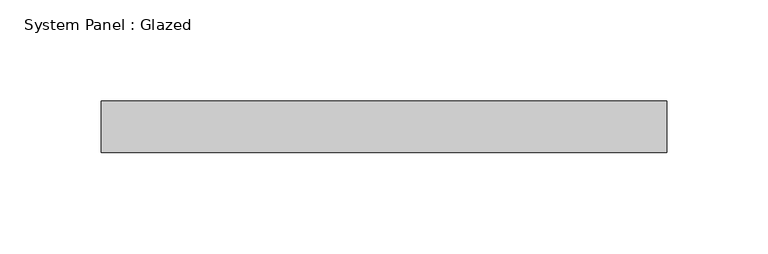
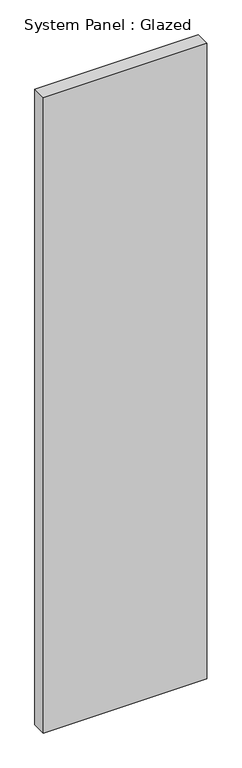
"""IFC4 building model written with IfcOpenShell, lengths in millimetres: plate geometry, System Panel : Glazed."""

from ifc_helpers import new_model, si_unit, origin, origin_with_axes, place, context, project, spatial, polyline, outline, extrude, source, transform, mapped, element, save


def system_panel_glazed_626fef22(model_context):
    return source(origin(), model_context, "Body", "SweptSolid", [
        extrude(outline(polyline([(139.7, -12.7), (-139.7, -12.7), (-139.7, 12.7), (139.7, 12.7), (139.7, -12.7)])), origin_with_axes(), (0.0, 0.0, 1.0), 1149.35),
    ])


if __name__ == "__main__":
    model = new_model("IFC4")
    model_context = context("Model", 3, world=origin())
    ifc_project = project(units=[si_unit("LENGTHUNIT", "METRE", prefix="MILLI")], contexts=[model_context])
    site = spatial("IfcSite", under=ifc_project)
    building = spatial("IfcBuilding", under=site)
    placement = place(None, origin())
    system_panel_glazed_shape = system_panel_glazed_626fef22(model_context)
    element("IfcPlate", 1, ObjectType="System Panel : Glazed", at=placement, inside=building, context=model_context, shape_type="MappedRepresentation", body=[
        mapped(system_panel_glazed_shape, transform((0.0, 0.0, 0.0), x_axis=(1.0, 0.0, 0.0), y_axis=(0.0, 1.0, 0.0), z_axis=(0.0, 0.0, 1.0))),
    ])
    save(model, "model.ifc")
